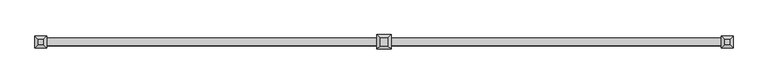
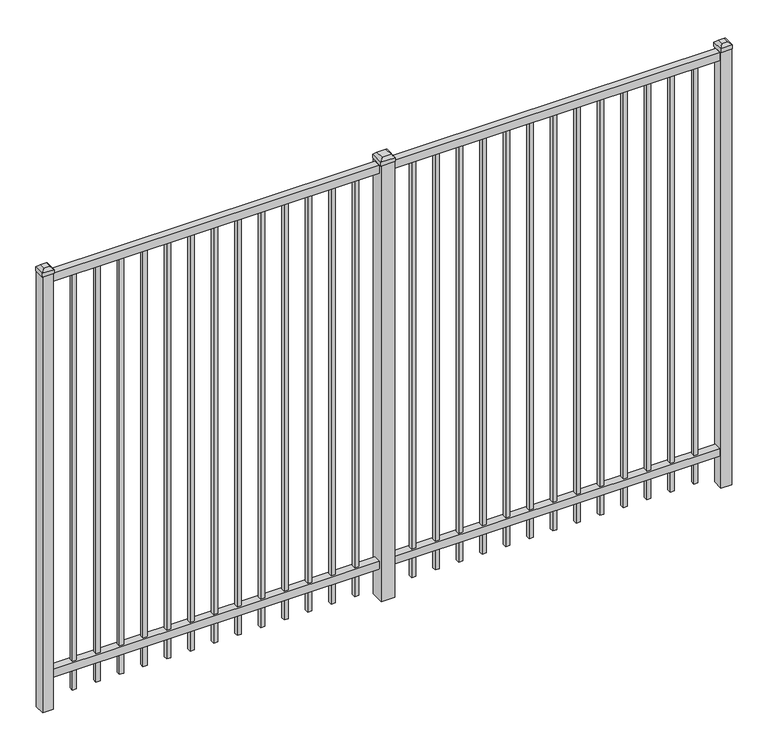
"""IFC4 building model written with IfcOpenShell, lengths in millimetres: railing geometry."""

from ifc_helpers import new_model, si_unit, frame, origin, origin_with_axes, place, context, project, spatial, polyline, outline, extrude, faceted_brep, source, transform, mapped, element, save


def railing_bd7ad0d3(model_context):
    return source(origin(), model_context, "Body", "SolidModel", [
        extrude(outline(polyline([(-61345.318087, 3004.8804826), (-61345.318087, 3039.8054826), (-58195.718087, 3039.8054826), (-58195.718087, 3004.8804826), (-61345.318087, 3004.8804826)])), frame((0.0, 0.0, 2095.5), z_axis=(0.0, 0.0, 1.0), x_axis=(1.0, 0.0, 0.0)), (0.0, 0.0, 1.0), 38.1),
        extrude(outline(polyline([(-61345.318087, 3004.8804826), (-61345.318087, 3039.8054826), (-58195.718087, 3039.8054826), (-58195.718087, 3004.8804826), (-61345.318087, 3004.8804826)])), frame((0.0, 0.0, 152.4), z_axis=(0.0, 0.0, 1.0), x_axis=(1.0, 0.0, 0.0)), (0.0, 0.0, 1.0), 38.1),
        extrude(outline(polyline([(-58427.2285036, 3031.8679826), (-58427.2285036, 3012.8179826), (-58446.2785036, 3012.8179826), (-58446.2785036, 3031.8679826), (-58427.2285036, 3031.8679826)])), frame((0.0, 0.0, 50.8), z_axis=(0.0, 0.0, 1.0), x_axis=(1.0, 0.0, 0.0)), (0.0, 0.0, 1.0), 2044.7),
        extrude(outline(polyline([(-58536.5014203, 3031.8679826), (-58536.5014203, 3012.8179826), (-58555.5514203, 3012.8179826), (-58555.5514203, 3031.8679826), (-58536.5014203, 3031.8679826)])), frame((0.0, 0.0, 50.8), z_axis=(0.0, 0.0, 1.0), x_axis=(1.0, 0.0, 0.0)), (0.0, 0.0, 1.0), 2044.7),
        extrude(outline(polyline([(-58645.774337, 3031.8679826), (-58645.774337, 3012.8179826), (-58664.824337, 3012.8179826), (-58664.824337, 3031.8679826), (-58645.774337, 3031.8679826)])), frame((0.0, 0.0, 50.8), z_axis=(0.0, 0.0, 1.0), x_axis=(1.0, 0.0, 0.0)), (0.0, 0.0, 1.0), 2044.7),
        extrude(outline(polyline([(-58755.0472536, 3031.8679826), (-58755.0472536, 3012.8179826), (-58774.0972536, 3012.8179826), (-58774.0972536, 3031.8679826), (-58755.0472536, 3031.8679826)])), frame((0.0, 0.0, 50.8), z_axis=(0.0, 0.0, 1.0), x_axis=(1.0, 0.0, 0.0)), (0.0, 0.0, 1.0), 2044.7),
        extrude(outline(polyline([(-58864.3201703, 3031.8679826), (-58864.3201703, 3012.8179826), (-58883.3701703, 3012.8179826), (-58883.3701703, 3031.8679826), (-58864.3201703, 3031.8679826)])), frame((0.0, 0.0, 50.8), z_axis=(0.0, 0.0, 1.0), x_axis=(1.0, 0.0, 0.0)), (0.0, 0.0, 1.0), 2044.7),
        extrude(outline(polyline([(-58973.593087, 3031.8679826), (-58973.593087, 3012.8179826), (-58992.643087, 3012.8179826), (-58992.643087, 3031.8679826), (-58973.593087, 3031.8679826)])), frame((0.0, 0.0, 50.8), z_axis=(0.0, 0.0, 1.0), x_axis=(1.0, 0.0, 0.0)), (0.0, 0.0, 1.0), 2044.7),
        extrude(outline(polyline([(-59082.8660036, 3031.8679826), (-59082.8660036, 3012.8179826), (-59101.9160036, 3012.8179826), (-59101.9160036, 3031.8679826), (-59082.8660036, 3031.8679826)])), frame((0.0, 0.0, 50.8), z_axis=(0.0, 0.0, 1.0), x_axis=(1.0, 0.0, 0.0)), (0.0, 0.0, 1.0), 2044.7),
        extrude(outline(polyline([(-59192.1389203, 3031.8679826), (-59192.1389203, 3012.8179826), (-59211.1889203, 3012.8179826), (-59211.1889203, 3031.8679826), (-59192.1389203, 3031.8679826)])), frame((0.0, 0.0, 50.8), z_axis=(0.0, 0.0, 1.0), x_axis=(1.0, 0.0, 0.0)), (0.0, 0.0, 1.0), 2044.7),
        extrude(outline(polyline([(-59301.411837, 3031.8679826), (-59301.411837, 3012.8179826), (-59320.461837, 3012.8179826), (-59320.461837, 3031.8679826), (-59301.411837, 3031.8679826)])), frame((0.0, 0.0, 50.8), z_axis=(0.0, 0.0, 1.0), x_axis=(1.0, 0.0, 0.0)), (0.0, 0.0, 1.0), 2044.7),
        extrude(outline(polyline([(-59410.6847536, 3031.8679826), (-59410.6847536, 3012.8179826), (-59429.7347536, 3012.8179826), (-59429.7347536, 3031.8679826), (-59410.6847536, 3031.8679826)])), frame((0.0, 0.0, 50.8), z_axis=(0.0, 0.0, 1.0), x_axis=(1.0, 0.0, 0.0)), (0.0, 0.0, 1.0), 2044.7),
        extrude(outline(polyline([(-59519.9576703, 3031.8679826), (-59519.9576703, 3012.8179826), (-59539.0076703, 3012.8179826), (-59539.0076703, 3031.8679826), (-59519.9576703, 3031.8679826)])), frame((0.0, 0.0, 50.8), z_axis=(0.0, 0.0, 1.0), x_axis=(1.0, 0.0, 0.0)), (0.0, 0.0, 1.0), 2044.7),
        extrude(outline(polyline([(-58317.955587, 3031.8679826), (-58317.955587, 3012.8179826), (-58337.005587, 3012.8179826), (-58337.005587, 3031.8679826), (-58317.955587, 3031.8679826)])), frame((0.0, 0.0, 50.8), z_axis=(0.0, 0.0, 1.0), x_axis=(1.0, 0.0, 0.0)), (0.0, 0.0, 1.0), 2044.7),
        extrude(outline(polyline([(-59629.230587, 3031.8679826), (-59629.230587, 3012.8179826), (-59648.280587, 3012.8179826), (-59648.280587, 3031.8679826), (-59629.230587, 3031.8679826)])), frame((0.0, 0.0, 50.8), z_axis=(0.0, 0.0, 1.0), x_axis=(1.0, 0.0, 0.0)), (0.0, 0.0, 1.0), 2044.7),
        extrude(outline(polyline([(-59738.768087, 3054.0929826), (-59738.768087, 2990.5929826), (-59802.268087, 2990.5929826), (-59802.268087, 3054.0929826), (-59738.768087, 3054.0929826)])), origin_with_axes(), (0.0, 0.0, 1.0), 2139.95),
        faceted_brep([(-59803.855587, 3055.6804826, 2159.0), (-59803.855587, 3055.6804826, 2139.95), (-59803.855587, 2989.0054826, 2139.95), (-59803.855587, 2989.0054826, 2159.0), (-59791.155587, 3042.9804826, 2171.7), (-59791.155587, 3001.7054826, 2171.7), (-59737.180587, 2989.0054826, 2139.95), (-59737.180587, 2989.0054826, 2159.0), (-59749.880587, 3001.7054826, 2171.7), (-59737.180587, 3055.6804826, 2139.95), (-59737.180587, 3055.6804826, 2159.0), (-59749.880587, 3042.9804826, 2171.7)], [[[0, 1, 2, 3]], [[4, 0, 3, 5]], [[3, 2, 6, 7]], [[5, 3, 7, 8]], [[7, 6, 9, 10]], [[8, 7, 10, 11]], [[10, 9, 1, 0]], [[11, 10, 0, 4]], [[5, 8, 11, 4]], [[1, 9, 6, 2]]]),
        extrude(outline(polyline([(-60002.0285036, 3031.8679826), (-60002.0285036, 3012.8179826), (-60021.0785036, 3012.8179826), (-60021.0785036, 3031.8679826), (-60002.0285036, 3031.8679826)])), frame((0.0, 0.0, 50.8), z_axis=(0.0, 0.0, 1.0), x_axis=(1.0, 0.0, 0.0)), (0.0, 0.0, 1.0), 2044.7),
        extrude(outline(polyline([(-60111.3014203, 3031.8679826), (-60111.3014203, 3012.8179826), (-60130.3514203, 3012.8179826), (-60130.3514203, 3031.8679826), (-60111.3014203, 3031.8679826)])), frame((0.0, 0.0, 50.8), z_axis=(0.0, 0.0, 1.0), x_axis=(1.0, 0.0, 0.0)), (0.0, 0.0, 1.0), 2044.7),
        extrude(outline(polyline([(-60220.574337, 3031.8679826), (-60220.574337, 3012.8179826), (-60239.624337, 3012.8179826), (-60239.624337, 3031.8679826), (-60220.574337, 3031.8679826)])), frame((0.0, 0.0, 50.8), z_axis=(0.0, 0.0, 1.0), x_axis=(1.0, 0.0, 0.0)), (0.0, 0.0, 1.0), 2044.7),
        extrude(outline(polyline([(-60329.8472536, 3031.8679826), (-60329.8472536, 3012.8179826), (-60348.8972536, 3012.8179826), (-60348.8972536, 3031.8679826), (-60329.8472536, 3031.8679826)])), frame((0.0, 0.0, 50.8), z_axis=(0.0, 0.0, 1.0), x_axis=(1.0, 0.0, 0.0)), (0.0, 0.0, 1.0), 2044.7),
        extrude(outline(polyline([(-60439.1201703, 3031.8679826), (-60439.1201703, 3012.8179826), (-60458.1701703, 3012.8179826), (-60458.1701703, 3031.8679826), (-60439.1201703, 3031.8679826)])), frame((0.0, 0.0, 50.8), z_axis=(0.0, 0.0, 1.0), x_axis=(1.0, 0.0, 0.0)), (0.0, 0.0, 1.0), 2044.7),
        extrude(outline(polyline([(-60548.393087, 3031.8679826), (-60548.393087, 3012.8179826), (-60567.443087, 3012.8179826), (-60567.443087, 3031.8679826), (-60548.393087, 3031.8679826)])), frame((0.0, 0.0, 50.8), z_axis=(0.0, 0.0, 1.0), x_axis=(1.0, 0.0, 0.0)), (0.0, 0.0, 1.0), 2044.7),
        extrude(outline(polyline([(-60657.6660036, 3031.8679826), (-60657.6660036, 3012.8179826), (-60676.7160036, 3012.8179826), (-60676.7160036, 3031.8679826), (-60657.6660036, 3031.8679826)])), frame((0.0, 0.0, 50.8), z_axis=(0.0, 0.0, 1.0), x_axis=(1.0, 0.0, 0.0)), (0.0, 0.0, 1.0), 2044.7),
        extrude(outline(polyline([(-60766.9389203, 3031.8679826), (-60766.9389203, 3012.8179826), (-60785.9889203, 3012.8179826), (-60785.9889203, 3031.8679826), (-60766.9389203, 3031.8679826)])), frame((0.0, 0.0, 50.8), z_axis=(0.0, 0.0, 1.0), x_axis=(1.0, 0.0, 0.0)), (0.0, 0.0, 1.0), 2044.7),
        extrude(outline(polyline([(-60876.211837, 3031.8679826), (-60876.211837, 3012.8179826), (-60895.261837, 3012.8179826), (-60895.261837, 3031.8679826), (-60876.211837, 3031.8679826)])), frame((0.0, 0.0, 50.8), z_axis=(0.0, 0.0, 1.0), x_axis=(1.0, 0.0, 0.0)), (0.0, 0.0, 1.0), 2044.7),
        extrude(outline(polyline([(-60985.4847536, 3031.8679826), (-60985.4847536, 3012.8179826), (-61004.5347536, 3012.8179826), (-61004.5347536, 3031.8679826), (-60985.4847536, 3031.8679826)])), frame((0.0, 0.0, 50.8), z_axis=(0.0, 0.0, 1.0), x_axis=(1.0, 0.0, 0.0)), (0.0, 0.0, 1.0), 2044.7),
        extrude(outline(polyline([(-61094.7576703, 3031.8679826), (-61094.7576703, 3012.8179826), (-61113.8076703, 3012.8179826), (-61113.8076703, 3031.8679826), (-61094.7576703, 3031.8679826)])), frame((0.0, 0.0, 50.8), z_axis=(0.0, 0.0, 1.0), x_axis=(1.0, 0.0, 0.0)), (0.0, 0.0, 1.0), 2044.7),
        extrude(outline(polyline([(-59892.755587, 3031.8679826), (-59892.755587, 3012.8179826), (-59911.805587, 3012.8179826), (-59911.805587, 3031.8679826), (-59892.755587, 3031.8679826)])), frame((0.0, 0.0, 50.8), z_axis=(0.0, 0.0, 1.0), x_axis=(1.0, 0.0, 0.0)), (0.0, 0.0, 1.0), 2044.7),
        extrude(outline(polyline([(-61204.030587, 3031.8679826), (-61204.030587, 3012.8179826), (-61223.080587, 3012.8179826), (-61223.080587, 3031.8679826), (-61204.030587, 3031.8679826)])), frame((0.0, 0.0, 50.8), z_axis=(0.0, 0.0, 1.0), x_axis=(1.0, 0.0, 0.0)), (0.0, 0.0, 1.0), 2044.7),
        extrude(outline(polyline([(-58170.318087, 3047.7429826), (-58170.318087, 2996.9429826), (-58221.118087, 2996.9429826), (-58221.118087, 3047.7429826), (-58170.318087, 3047.7429826)])), origin_with_axes(), (0.0, 0.0, 1.0), 2139.95),
        faceted_brep([(-58222.705587, 3049.3304826, 2159.0), (-58222.705587, 3049.3304826, 2139.95), (-58222.705587, 2995.3554826, 2139.95), (-58222.705587, 2995.3554826, 2159.0), (-58210.005587, 3036.6304826, 2171.7), (-58210.005587, 3008.0554826, 2171.7), (-58168.730587, 2995.3554826, 2139.95), (-58168.730587, 2995.3554826, 2159.0), (-58181.430587, 3008.0554826, 2171.7), (-58168.730587, 3049.3304826, 2139.95), (-58168.730587, 3049.3304826, 2159.0), (-58181.430587, 3036.6304826, 2171.7)], [[[0, 1, 2, 3]], [[4, 0, 3, 5]], [[3, 2, 6, 7]], [[5, 3, 7, 8]], [[7, 6, 9, 10]], [[8, 7, 10, 11]], [[10, 9, 1, 0]], [[11, 10, 0, 4]], [[5, 8, 11, 4]], [[1, 9, 6, 2]]]),
        extrude(outline(polyline([(-61319.918087, 3047.7429826), (-61319.918087, 2996.9429826), (-61370.718087, 2996.9429826), (-61370.718087, 3047.7429826), (-61319.918087, 3047.7429826)])), origin_with_axes(), (0.0, 0.0, 1.0), 2139.95),
        faceted_brep([(-61372.305587, 3049.3304826, 2159.0), (-61372.305587, 3049.3304826, 2139.95), (-61372.305587, 2995.3554826, 2139.95), (-61372.305587, 2995.3554826, 2159.0), (-61359.605587, 3036.6304826, 2171.7), (-61359.605587, 3008.0554826, 2171.7), (-61318.330587, 2995.3554826, 2139.95), (-61318.330587, 2995.3554826, 2159.0), (-61331.030587, 3008.0554826, 2171.7), (-61318.330587, 3049.3304826, 2139.95), (-61318.330587, 3049.3304826, 2159.0), (-61331.030587, 3036.6304826, 2171.7)], [[[0, 1, 2, 3]], [[4, 0, 3, 5]], [[3, 2, 6, 7]], [[5, 3, 7, 8]], [[7, 6, 9, 10]], [[8, 7, 10, 11]], [[10, 9, 1, 0]], [[11, 10, 0, 4]], [[5, 8, 11, 4]], [[1, 9, 6, 2]]]),
    ])


if __name__ == "__main__":
    model = new_model("IFC4")
    model_context = context("Model", 3, world=origin())
    ifc_project = project(units=[si_unit("LENGTHUNIT", "METRE", prefix="MILLI")], contexts=[model_context])
    site = spatial("IfcSite", under=ifc_project)
    building = spatial("IfcBuilding", under=site)
    placement = place(None, origin())
    railing_shape = railing_bd7ad0d3(model_context)
    element("IfcRailing", 1, at=placement, inside=building, context=model_context, shape_type="MappedRepresentation", body=[
        mapped(railing_shape, transform((0.0, 0.0, 0.0), x_axis=(1.0, 0.0, 0.0), y_axis=(0.0, 1.0, 0.0), z_axis=(0.0, 0.0, 1.0))),
    ])
    save(model, "model.ifc")
